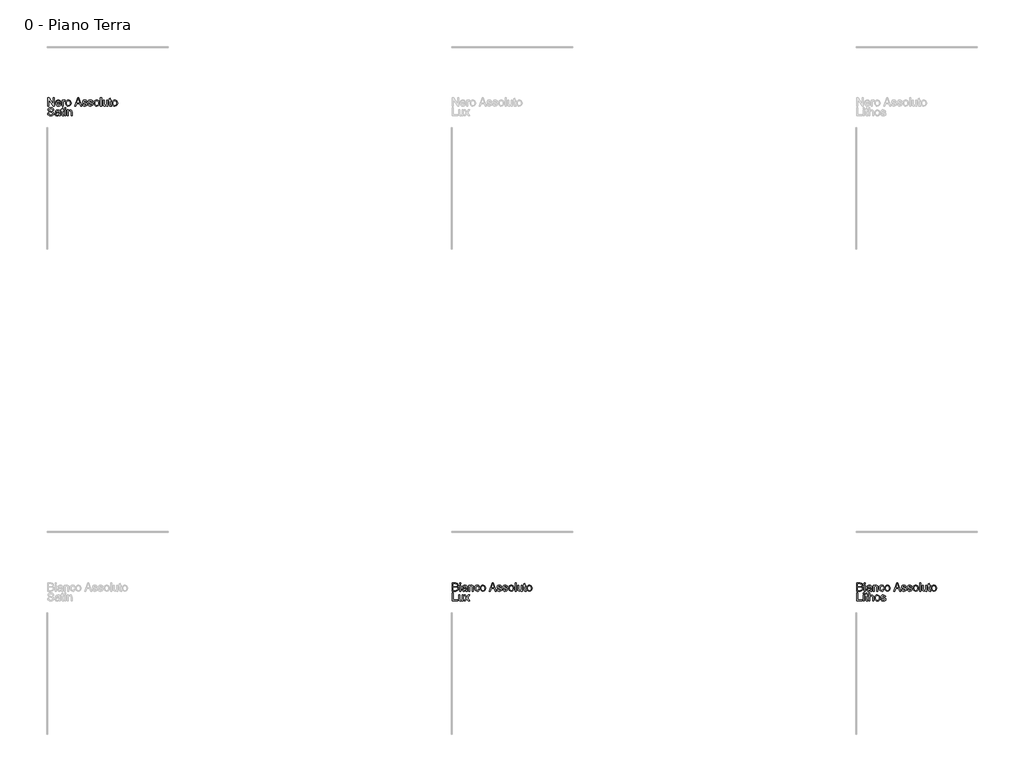
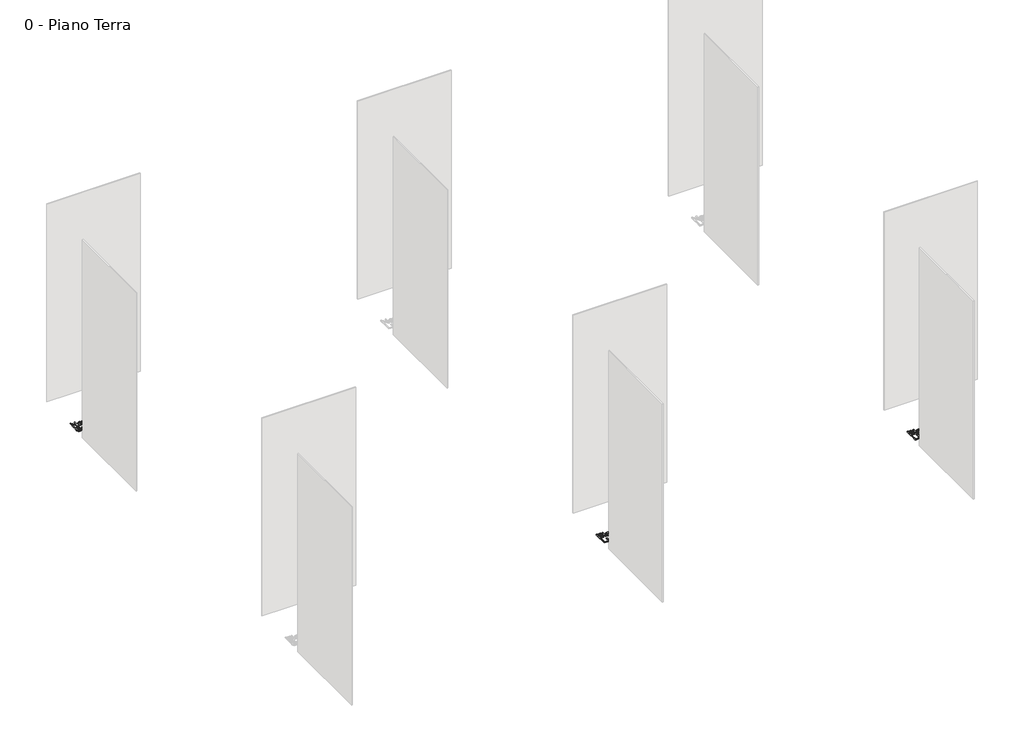
# One storey, part 29 of 35: 3 proxies.
"""IFC4 building model written with IfcOpenShell, lengths in millimetres."""

from ifc_helpers import new_model, si_unit, origin, origin_with_axes, place, context, project, spatial, polyline, outline, extrude, element, save

model = new_model("IFC4")

# Units and contexts
model_context = context("Model", 3, world=origin())
ifc_project = project(units=[si_unit("LENGTHUNIT", "METRE", prefix="MILLI")], contexts=[model_context])

# Site, building, storey
site = spatial("IfcSite", under=ifc_project)
building = spatial("IfcBuilding", under=site)
storey = spatial("IfcBuildingStorey", under=building, Name="0 - Piano Terra", Elevation=0.0)

# Proxies
placement = place(None, origin())
element("IfcBuildingElementProxy", 1, Name="Testo modello 1", ObjectType="Testo modello 1", at=placement, inside=storey, context=model_context, shape_type="SweptSolid", body=[
    extrude(outline(polyline([(2731.7292491, -273.7592352), (2731.7292491, -173.302925), (2745.1692046, -173.302925), (2797.6537026, -252.8880633), (2797.6537026, -173.302925), (2810.2107414, -173.302925), (2810.2107414, -273.7592352), (2796.7707858, -273.7592352), (2744.2862878, -194.1495714), (2744.2862878, -273.7592352), (2731.7292491, -273.7592352)])), origin_with_axes(), (0.0, 0.0, 1.0), 10.0),
    extrude(outline(polyline([(2882.2665615, -251.7844173), (2894.5783456, -253.3540472), (2890.1423019, -262.6308048), (2883.0636392, -269.5653804), (2873.501773, -273.8879938), (2861.6161188, -275.328865), (2846.8824449, -272.8425958), (2835.5455481, -265.3837884), (2828.3166669, -253.4368206), (2825.9070398, -237.4860704), (2828.3411924, -220.9988257), (2835.64365, -208.6686475), (2846.8272626, -200.9799138), (2860.9048803, -198.4170025), (2874.5441053, -200.9737824), (2885.4426094, -208.644122), (2892.5887171, -220.9497747), (2894.9707531, -237.412494), (2894.8971767, -240.7970084), (2838.4640786, -240.7970084), (2840.6376481, -250.1963934), (2845.6868284, -257.1064435), (2852.9739576, -261.3554805), (2861.8613735, -262.7718262), (2874.1731576, -260.1476013), (2882.2665615, -251.7844173)]), holes=[polyline([(2838.4640786, -228.2399696), (2882.4137143, -228.2399696), (2877.3859937, -216.8601532), (2870.065142, -212.4455693), (2860.8558294, -210.9740413), (2845.3925229, -215.6706681), (2840.5272835, -221.1613069), (2838.4640786, -228.2399696)])]), origin_with_axes(), (0.0, 0.0, 1.0), 10.0),
    extrude(outline(polyline([(2907.5277918, -273.7592352), (2907.5277918, -199.9866324), (2918.5152008, -199.9866324), (2918.5152008, -210.9004649), (2926.3142991, -200.8450237), (2934.1624483, -198.4170025), (2946.768538, -202.2920262), (2942.5746832, -213.5492153), (2933.7455154, -210.9740413), (2926.6453929, -213.4511134), (2922.1204443, -220.318244), (2920.0848306, -234.9844729), (2920.0848306, -273.7592352), (2907.5277918, -273.7592352)])), origin_with_axes(), (0.0, 0.0, 1.0), 10.0),
    extrude(outline(polyline([(2951.4774275, -236.8729338), (2954.1936229, -219.0858393), (2962.3422091, -206.5839828), (2972.4099131, -200.4587476), (2984.4641798, -198.4170025), (2997.655815, -200.9032717), (3008.1925685, -208.3620791), (3015.0995529, -220.2048137), (3017.4018811, -235.8428642), (3013.3306537, -258.185564), (3001.4725907, -270.8284419), (2984.4641798, -275.328865), (2971.113129, -272.8517929), (2960.5886383, -265.4205766), (2953.7552302, -253.3295217), (2951.4774275, -236.8729338)]), holes=[polyline([(2964.0344663, -236.8484083), (2965.4876002, -248.2128963), (2969.8470018, -256.3093658), (2976.4075641, -261.1562111), (2984.4641798, -262.7718262), (2992.4840073, -261.1470141), (2999.0323068, -256.2725776), (3003.3917084, -248.0688092), (3004.8448423, -236.4560008), (3003.3825114, -225.4226067), (2998.9955186, -217.4365017), (2992.438022, -212.5896564), (2984.4641798, -210.9740413), (2976.4075641, -212.583525), (2969.8470018, -217.4119762), (2965.4876002, -225.4900517), (2964.0344663, -236.8484083)])]), origin_with_axes(), (0.0, 0.0, 1.0), 10.0),
    extrude(outline(polyline([(3060.6402782, -273.7592352), (3100.7394157, -173.302925), (3111.432519, -173.302925), (3151.5316565, -273.7592352), (3138.2633792, -273.7592352), (3126.7609355, -242.3666382), (3085.3864738, -242.3666382), (3073.9085555, -273.7592352), (3060.6402782, -273.7592352)]), holes=[polyline([(3089.9972614, -229.8095995), (3122.1746733, -229.8095995), (3113.1247762, -205.1124549), (3106.0859674, -185.8599638), (3099.8319734, -202.9542138), (3089.9972614, -229.8095995)])]), origin_with_axes(), (0.0, 0.0, 1.0), 10.0),
    extrude(outline(polyline([(3158.6685672, -251.7844173), (3171.225606, -250.2147875), (3177.0381415, -259.5344647), (3190.3554697, -262.7718262), (3203.1577632, -259.8042448), (3207.3270924, -252.8390124), (3203.1332377, -247.1981551), (3190.2083169, -243.617437), (3171.2991824, -237.4738077), (3163.046363, -230.3001088), (3160.2381971, -220.1710912), (3162.49454, -210.8146258), (3168.650432, -203.6654523), (3176.6334713, -199.9498442), (3187.4369392, -198.4170025), (3202.7163048, -200.8818119), (3212.4283894, -207.5527388), (3216.7448715, -218.8221905), (3204.1878327, -220.3918204), (3199.4666805, -213.4633761), (3188.4179579, -210.9740413), (3176.4004794, -213.3530115), (3172.7952358, -218.8957669), (3174.2912893, -222.5500614), (3178.9756533, -225.3214391), (3189.791384, -227.994715), (3208.222272, -233.9053523), (3216.7816597, -240.6008047), (3219.8841312, -251.5146372), (3216.2420995, -263.5321157), (3205.7329371, -272.250919), (3190.1837915, -275.328865), (3177.5225195, -273.8450743), (3168.28255, -269.3937021), (3162.1143952, -262.0237995), (3158.6685672, -251.7844173)])), origin_with_axes(), (0.0, 0.0, 1.0), 10.0),
    extrude(outline(polyline([(3229.3019103, -251.7844173), (3241.8589491, -250.2147875), (3247.6714846, -259.5344647), (3260.9888128, -262.7718262), (3273.7911062, -259.8042448), (3277.9604355, -252.8390124), (3273.7665808, -247.1981551), (3260.84166, -243.617437), (3241.9325255, -237.4738077), (3233.679706, -230.3001088), (3230.8715401, -220.1710912), (3233.127883, -210.8146258), (3239.2837751, -203.6654523), (3247.2668144, -199.9498442), (3258.0702823, -198.4170025), (3273.3496478, -200.8818119), (3283.0617325, -207.5527388), (3287.3782146, -218.8221905), (3274.8211758, -220.3918204), (3270.1000236, -213.4633761), (3259.051301, -210.9740413), (3247.0338225, -213.3530115), (3243.4285789, -218.8957669), (3244.9246323, -222.5500614), (3249.6089964, -225.3214391), (3260.4247271, -227.994715), (3278.855615, -233.9053523), (3287.4150028, -240.6008047), (3290.5174743, -251.5146372), (3286.8754425, -263.5321157), (3276.3662802, -272.250919), (3260.8171345, -275.328865), (3248.1558625, -273.8450743), (3238.9158931, -269.3937021), (3232.7477383, -262.0237995), (3229.3019103, -251.7844173)])), origin_with_axes(), (0.0, 0.0, 1.0), 10.0),
    extrude(outline(polyline([(3301.5048832, -236.8729338), (3304.2210786, -219.0858393), (3312.3696648, -206.5839828), (3322.4373687, -200.4587476), (3334.4916354, -198.4170025), (3347.6832707, -200.9032717), (3358.2200241, -208.3620791), (3365.1270086, -220.2048137), (3367.4293367, -235.8428642), (3363.3581093, -258.185564), (3351.5000463, -270.8284419), (3334.4916354, -275.328865), (3321.1405847, -272.8517929), (3310.616094, -265.4205766), (3303.7826859, -253.3295217), (3301.5048832, -236.8729338)]), holes=[polyline([(3314.061922, -236.8484083), (3315.5150559, -248.2128963), (3319.8744575, -256.3093658), (3326.4350197, -261.1562111), (3334.4916354, -262.7718262), (3342.5114629, -261.1470141), (3349.0597624, -256.2725776), (3353.4191641, -248.0688092), (3354.872298, -236.4560008), (3353.409967, -225.4226067), (3349.0229742, -217.4365017), (3342.4654777, -212.5896564), (3334.4916354, -210.9740413), (3326.4350197, -212.583525), (3319.8744575, -217.4119762), (3315.5150559, -225.4900517), (3314.061922, -236.8484083)])]), origin_with_axes(), (0.0, 0.0, 1.0), 10.0),
    extrude(outline(polyline([(3381.5560054, -273.7592352), (3381.5560054, -173.302925), (3394.1130441, -173.302925), (3394.1130441, -273.7592352), (3381.5560054, -273.7592352)])), origin_with_axes(), (0.0, 0.0, 1.0), 10.0),
    extrude(outline(polyline([(3460.0374977, -273.7592352), (3460.0374977, -261.0795691), (3450.2027857, -271.766541), (3437.3759668, -275.328865), (3425.5669547, -272.8272674), (3417.4244999, -266.548748), (3413.6843663, -257.3026472), (3412.9486023, -245.6285253), (3412.9486023, -199.9866324), (3425.505641, -199.9866324), (3425.505641, -239.7178879), (3426.2659305, -252.5201813), (3431.2323374, -260.0372367), (3440.5888028, -262.7718262), (3451.0734397, -259.9759231), (3458.001884, -252.3607658), (3460.0374977, -238.3689872), (3460.0374977, -199.9866324), (3472.5945364, -199.9866324), (3472.5945364, -273.7592352), (3460.0374977, -273.7592352)])), origin_with_axes(), (0.0, 0.0, 1.0), 10.0),
    extrude(outline(polyline([(3516.5441721, -263.286861), (3518.113802, -274.1271171), (3508.7205484, -275.328865), (3498.1991233, -273.2442004), (3492.9506735, -267.7750214), (3491.4300946, -253.5257254), (3491.4300946, -212.5436712), (3482.0123155, -212.5436712), (3482.0123155, -199.9866324), (3491.4300946, -199.9866324), (3491.4300946, -182.0585165), (3503.9871334, -174.6763511), (3503.9871334, -199.9866324), (3516.5441721, -199.9866324), (3516.5441721, -212.5436712), (3503.9871334, -212.5436712), (3503.9871334, -253.1578434), (3504.6493209, -259.6325665), (3506.7952992, -261.9256976), (3511.0749931, -262.7718262), (3516.5441721, -263.286861)])), origin_with_axes(), (0.0, 0.0, 1.0), 10.0),
    extrude(outline(polyline([(3525.9619512, -236.8729338), (3528.6781466, -219.0858393), (3536.8267328, -206.5839828), (3546.8944367, -200.4587476), (3558.9487034, -198.4170025), (3572.1403386, -200.9032717), (3582.6770921, -208.3620791), (3589.5840766, -220.2048137), (3591.8864047, -235.8428642), (3587.8151773, -258.185564), (3575.9571143, -270.8284419), (3558.9487034, -275.328865), (3545.5976527, -272.8517929), (3535.0731619, -265.4205766), (3528.2397539, -253.3295217), (3525.9619512, -236.8729338)]), holes=[polyline([(3538.51899, -236.8484083), (3539.9721238, -248.2128963), (3544.3315255, -256.3093658), (3550.8920877, -261.1562111), (3558.9487034, -262.7718262), (3566.9685309, -261.1470141), (3573.5168304, -256.2725776), (3577.8762321, -248.0688092), (3579.329366, -236.4560008), (3577.867035, -225.4226067), (3573.4800422, -217.4365017), (3566.9225457, -212.5896564), (3558.9487034, -210.9740413), (3550.8920877, -212.583525), (3544.3315255, -217.4119762), (3539.9721238, -225.4900517), (3538.51899, -236.8484083)])]), origin_with_axes(), (0.0, 0.0, 1.0), 10.0),
    extrude(outline(polyline([(2727.0203595, -361.2021964), (2739.5773983, -361.2021964), (2743.6241003, -373.7714979), (2753.5078632, -381.717749), (2768.5664995, -384.7466441), (2781.687624, -382.453513), (2790.1611726, -376.1504681), (2792.9448131, -367.7259704), (2790.8601484, -359.8900839), (2782.3252861, -354.187913), (2764.041551, -349.3931843), (2744.3598642, -343.2005041), (2733.6790237, -333.8563014), (2730.1596192, -321.372839), (2734.5128895, -307.1603313), (2747.2293438, -297.1294156), (2765.8441728, -293.708113), (2785.7098005, -297.2888311), (2798.9535523, -307.8102561), (2803.932222, -323.5310801), (2791.3751832, -323.5310801), (2789.0697894, -316.0385501), (2784.262798, -310.6306848), (2766.3346821, -306.2651518), (2748.3575153, -310.5816338), (2742.716658, -321.004957), (2746.714309, -329.7114976), (2767.2175989, -336.725781), (2789.4376714, -343.0288258), (2801.59004, -353.2068944), (2805.5018518, -367.4071394), (2801.0014288, -382.4289875), (2788.0519825, -393.391871), (2769.0570089, -397.3036828), (2746.6284699, -393.0853026), (2732.4404876, -380.3811111), (2727.0203595, -361.2021964)])), origin_with_axes(), (0.0, 0.0, 1.0), 10.0),
    extrude(outline(polyline([(2869.8566755, -386.3162739), (2857.6797815, -394.8266107), (2844.2275632, -397.3036828), (2833.7337293, -395.8137608), (2825.992879, -391.3439945), (2821.2196101, -384.5565717), (2819.6285205, -376.1136799), (2822.0320162, -366.1808661), (2828.3473237, -358.9703789), (2837.1397034, -354.8501006), (2848.004485, -352.9616397), (2869.7830991, -348.6451576), (2869.8566755, -345.8492545), (2866.3985848, -336.5786282), (2852.5171708, -332.9488592), (2839.8129793, -335.3646176), (2833.7551891, -343.9362681), (2821.1981503, -342.3666382), (2826.6305411, -330.1039051), (2837.5688991, -322.9179434), (2854.1358516, -320.3918204), (2869.3539035, -322.6236378), (2877.9500794, -328.2277069), (2881.8005776, -336.7503064), (2882.4137143, -347.7377154), (2882.4137143, -363.3604374), (2883.0513764, -385.1758397), (2885.552974, -395.734053), (2872.9959352, -395.734053), (2869.8566755, -386.3162739)]), holes=[polyline([(2869.8566755, -361.2021964), (2849.5986403, -365.0526946), (2838.7951724, -367.0883083), (2833.9023419, -370.3992463), (2832.1855592, -375.2307631), (2835.9256928, -382.0243173), (2846.900839, -384.7466441), (2859.6050306, -381.7422744), (2867.7965364, -374.4704737), (2869.7830991, -364.758389), (2869.8566755, -361.2021964)])]), origin_with_axes(), (0.0, 0.0, 1.0), 10.0),
    extrude(outline(polyline([(2926.36335, -385.2616789), (2927.9329798, -396.101935), (2918.5397262, -397.3036828), (2908.0183012, -395.2190182), (2902.7698514, -389.7498392), (2901.2492725, -375.5005433), (2901.2492725, -334.518489), (2891.8314934, -334.518489), (2891.8314934, -321.9614502), (2901.2492725, -321.9614502), (2901.2492725, -304.0333343), (2913.8063112, -296.651169), (2913.8063112, -321.9614502), (2926.36335, -321.9614502), (2926.36335, -334.518489), (2913.8063112, -334.518489), (2913.8063112, -375.1326613), (2914.4684988, -381.6073844), (2916.6144771, -383.9005155), (2920.894171, -384.7466441), (2926.36335, -385.2616789)])), origin_with_axes(), (0.0, 0.0, 1.0), 10.0),
    extrude(outline(polyline([(2938.9203888, -307.8347816), (2938.9203888, -295.2777428), (2951.4774275, -295.2777428), (2951.4774275, -307.8347816), (2938.9203888, -307.8347816)])), origin_with_axes(), (0.0, 0.0, 1.0), 10.0),
    extrude(outline(polyline([(2938.9203888, -395.734053), (2938.9203888, -321.9614502), (2951.4774275, -321.9614502), (2951.4774275, -395.734053), (2938.9203888, -395.734053)])), origin_with_axes(), (0.0, 0.0, 1.0), 10.0),
    extrude(outline(polyline([(2970.3129857, -395.734053), (2970.3129857, -321.9614502), (2982.8700244, -321.9614502), (2982.8700244, -332.2621461), (2992.4717445, -323.3594018), (3005.5806063, -320.3918204), (3017.4386693, -322.7830534), (3025.5320732, -329.0615727), (3029.2967322, -338.2954108), (3029.9589198, -350.4355167), (3029.9589198, -395.734053), (3017.4018811, -395.734053), (3017.4018811, -352.1277738), (3015.9548785, -341.0177376), (3010.8413188, -335.1438884), (3002.2206174, -332.9488592), (2988.5967208, -337.8784779), (2984.3016985, -345.02152), (2982.8700244, -356.5914087), (2982.8700244, -395.734053), (2970.3129857, -395.734053)])), origin_with_axes(), (0.0, 0.0, 1.0), 10.0),
])
element("IfcBuildingElementProxy", 2, Name="Testo modello 1", ObjectType="Testo modello 1", at=placement, inside=storey, context=model_context, shape_type="SweptSolid", body=[
    extrude(outline(polyline([(7731.7292491, -6273.7592352), (7731.7292491, -6173.302925), (7770.062553, -6173.302925), (7788.8367975, -6176.2582437), (7799.9223082, -6185.344929), (7803.932222, -6198.1962733), (7800.5599704, -6209.931709), (7790.3696391, -6218.8221905), (7802.7427369, -6228.1909187), (7807.0714817, -6243.8136407), (7804.116163, -6257.31491), (7796.7953113, -6266.9288928), (7785.869216, -6272.0301898), (7769.7682474, -6273.7592352), (7731.7292491, -6273.7592352)]), holes=[polyline([(7744.2862878, -6214.113301), (7767.2175989, -6214.113301), (7780.6085035, -6213.0341805), (7788.6651192, -6208.3866046), (7791.3751832, -6200.2073616), (7788.8490602, -6192.0158558), (7781.6140476, -6187.1720762), (7765.4762908, -6185.8599638), (7744.2862878, -6185.8599638), (7744.2862878, -6214.113301)]), polyline([(7744.2862878, -6261.2021964), (7770.0380275, -6261.2021964), (7779.3577047, -6260.7116871), (7787.2426421, -6257.9770976), (7792.4665665, -6252.397554), (7794.5144429, -6243.9362681), (7792.1109472, -6234.1751325), (7784.3241117, -6228.3503342), (7768.8117542, -6226.6703398), (7744.2862878, -6226.6703398), (7744.2862878, -6261.2021964)])]), origin_with_axes(), (0.0, 0.0, 1.0), 10.0),
    extrude(outline(polyline([(7822.7677801, -6185.8599638), (7822.7677801, -6173.302925), (7835.3248189, -6173.302925), (7835.3248189, -6185.8599638), (7822.7677801, -6185.8599638)])), origin_with_axes(), (0.0, 0.0, 1.0), 10.0),
    extrude(outline(polyline([(7822.7677801, -6273.7592352), (7822.7677801, -6199.9866324), (7835.3248189, -6199.9866324), (7835.3248189, -6273.7592352), (7822.7677801, -6273.7592352)])), origin_with_axes(), (0.0, 0.0, 1.0), 10.0),
    extrude(outline(polyline([(7901.2492725, -6264.3414561), (7889.0723784, -6272.8517929), (7875.6201601, -6275.328865), (7865.1263262, -6273.8389429), (7857.3854759, -6269.3691767), (7852.612207, -6262.5817539), (7851.0211174, -6254.1388621), (7853.4246131, -6244.2060482), (7859.7399207, -6236.9955611), (7868.5323003, -6232.8752828), (7879.3970819, -6230.9868218), (7901.1756961, -6226.6703398), (7901.2492725, -6223.8744366), (7897.7911817, -6214.6038103), (7883.9097677, -6210.9740413), (7871.2055762, -6213.3897997), (7865.147786, -6221.9614502), (7852.5907472, -6220.3918204), (7858.023138, -6208.1290872), (7868.961496, -6200.9431256), (7885.5284485, -6198.4170025), (7900.7465004, -6200.64882), (7909.3426763, -6206.252889), (7913.1931746, -6214.7754886), (7913.8063112, -6225.7628975), (7913.8063112, -6241.3856196), (7914.4439733, -6263.2010219), (7916.9455709, -6273.7592352), (7904.3885321, -6273.7592352), (7901.2492725, -6264.3414561)]), holes=[polyline([(7901.2492725, -6239.2273785), (7880.9912373, -6243.0778768), (7870.1877693, -6245.1134905), (7865.2949388, -6248.4244284), (7863.5781561, -6253.2559453), (7867.3182898, -6260.0494995), (7878.293436, -6262.7718262), (7890.9976275, -6259.7674566), (7899.1891333, -6252.4956558), (7901.1756961, -6242.7835712), (7901.2492725, -6239.2273785)])]), origin_with_axes(), (0.0, 0.0, 1.0), 10.0),
    extrude(outline(polyline([(7931.0722395, -6273.7592352), (7931.0722395, -6199.9866324), (7943.6292783, -6199.9866324), (7943.6292783, -6210.2873283), (7953.2309984, -6201.384584), (7966.3398601, -6198.4170025), (7978.1979231, -6200.8082355), (7986.291327, -6207.0867549), (7990.0559861, -6216.320593), (7990.7181737, -6228.4606988), (7990.7181737, -6273.7592352), (7978.1611349, -6273.7592352), (7978.1611349, -6230.152956), (7976.7141324, -6219.0429197), (7971.6005727, -6213.1690705), (7962.9798712, -6210.9740413), (7949.3559747, -6215.90366), (7945.0609524, -6223.0467021), (7943.6292783, -6234.6165909), (7943.6292783, -6273.7592352), (7931.0722395, -6273.7592352)])), origin_with_axes(), (0.0, 0.0, 1.0), 10.0),
    extrude(outline(polyline([(8055.0729974, -6247.0755278), (8067.6300361, -6248.6451576), (8064.1290258, -6259.8134419), (8057.5500695, -6268.253268), (8048.5124351, -6273.5599657), (8037.6353908, -6275.328865), (8024.2782087, -6272.8609899), (8013.8334257, -6265.4573648), (8007.0919881, -6253.442952), (8004.8448423, -6237.1427139), (8008.6830778, -6216.2838048), (8020.3817252, -6202.8806374), (8037.4637125, -6198.4170025), (8048.0740424, -6199.9498442), (8056.5567881, -6204.5483691), (8062.6421694, -6211.9673227), (8066.0604063, -6221.9614502), (8053.5033675, -6223.5310801), (8047.6785693, -6214.1255637), (8037.5618144, -6210.9740413), (8029.4469507, -6212.5252771), (8023.0059501, -6217.1789843), (8018.8028983, -6225.1865491), (8017.4018811, -6236.7993574), (8018.7722415, -6248.5685155), (8022.8833228, -6256.6036714), (8029.2078274, -6261.2297875), (8037.2184579, -6262.7718262), (8049.0519954, -6258.921328), (8055.0729974, -6247.0755278)])), origin_with_axes(), (0.0, 0.0, 1.0), 10.0),
    extrude(outline(polyline([(8075.4781854, -6236.8729338), (8078.1943808, -6219.0858393), (8086.342967, -6206.5839828), (8096.4106709, -6200.4587476), (8108.4649376, -6198.4170025), (8121.6565728, -6200.9032717), (8132.1933263, -6208.3620791), (8139.1003108, -6220.2048137), (8141.4026389, -6235.8428642), (8137.3314115, -6258.185564), (8125.4733485, -6270.8284419), (8108.4649376, -6275.328865), (8095.1138869, -6272.8517929), (8084.5893961, -6265.4205766), (8077.7559881, -6253.3295217), (8075.4781854, -6236.8729338)]), holes=[polyline([(8088.0352241, -6236.8484083), (8089.488358, -6248.2128963), (8093.8477597, -6256.3093658), (8100.4083219, -6261.1562111), (8108.4649376, -6262.7718262), (8116.4847651, -6261.1470141), (8123.0330646, -6256.2725776), (8127.3924663, -6248.0688092), (8128.8456001, -6236.4560008), (8127.3832692, -6225.4226067), (8122.9962764, -6217.4365017), (8116.4387798, -6212.5896564), (8108.4649376, -6210.9740413), (8100.4083219, -6212.583525), (8093.8477597, -6217.4119762), (8089.488358, -6225.4900517), (8088.0352241, -6236.8484083)])]), origin_with_axes(), (0.0, 0.0, 1.0), 10.0),
    extrude(outline(polyline([(8184.6410361, -6273.7592352), (8224.7401735, -6173.302925), (8235.4332769, -6173.302925), (8275.5324143, -6273.7592352), (8262.2641371, -6273.7592352), (8250.7616933, -6242.3666382), (8209.3872316, -6242.3666382), (8197.9093134, -6273.7592352), (8184.6410361, -6273.7592352)]), holes=[polyline([(8213.9980193, -6229.8095995), (8246.1754311, -6229.8095995), (8237.125534, -6205.1124549), (8230.0867252, -6185.8599638), (8223.8327313, -6202.9542138), (8213.9980193, -6229.8095995)])]), origin_with_axes(), (0.0, 0.0, 1.0), 10.0),
    extrude(outline(polyline([(8282.6693251, -6251.7844173), (8295.2263638, -6250.2147875), (8301.0388993, -6259.5344647), (8314.3562276, -6262.7718262), (8327.158521, -6259.8042448), (8331.3278503, -6252.8390124), (8327.1339955, -6247.1981551), (8314.2090748, -6243.617437), (8295.2999402, -6237.4738077), (8287.0471208, -6230.3001088), (8284.2389549, -6220.1710912), (8286.4952978, -6210.8146258), (8292.6511899, -6203.6654523), (8300.6342292, -6199.9498442), (8311.4376971, -6198.4170025), (8326.7170626, -6200.8818119), (8336.4291473, -6207.5527388), (8340.7456294, -6218.8221905), (8328.1885906, -6220.3918204), (8323.4674383, -6213.4633761), (8312.4187157, -6210.9740413), (8300.4012372, -6213.3530115), (8296.7959937, -6218.8957669), (8298.2920471, -6222.5500614), (8302.9764112, -6225.3214391), (8313.7921418, -6227.994715), (8332.2230298, -6233.9053523), (8340.7824176, -6240.6008047), (8343.884889, -6251.5146372), (8340.2428573, -6263.5321157), (8329.733695, -6272.250919), (8314.1845493, -6275.328865), (8301.5232773, -6273.8450743), (8292.2833079, -6269.3937021), (8286.1151531, -6262.0237995), (8282.6693251, -6251.7844173)])), origin_with_axes(), (0.0, 0.0, 1.0), 10.0),
    extrude(outline(polyline([(8353.3026681, -6251.7844173), (8365.8597069, -6250.2147875), (8371.6722424, -6259.5344647), (8384.9895706, -6262.7718262), (8397.7918641, -6259.8042448), (8401.9611934, -6252.8390124), (8397.7673386, -6247.1981551), (8384.8424178, -6243.617437), (8365.9332833, -6237.4738077), (8357.6804639, -6230.3001088), (8354.872298, -6220.1710912), (8357.1286409, -6210.8146258), (8363.2845329, -6203.6654523), (8371.2675722, -6199.9498442), (8382.0710401, -6198.4170025), (8397.3504057, -6200.8818119), (8407.0624904, -6207.5527388), (8411.3789724, -6218.8221905), (8398.8219337, -6220.3918204), (8394.1007814, -6213.4633761), (8383.0520588, -6210.9740413), (8371.0345803, -6213.3530115), (8367.4293367, -6218.8957669), (8368.9253902, -6222.5500614), (8373.6097543, -6225.3214391), (8384.4254849, -6227.994715), (8402.8563729, -6233.9053523), (8411.4157606, -6240.6008047), (8414.5182321, -6251.5146372), (8410.8762004, -6263.5321157), (8400.367038, -6272.250919), (8384.8178924, -6275.328865), (8372.1566204, -6273.8450743), (8362.9166509, -6269.3937021), (8356.7484961, -6262.0237995), (8353.3026681, -6251.7844173)])), origin_with_axes(), (0.0, 0.0, 1.0), 10.0),
    extrude(outline(polyline([(8425.505641, -6236.8729338), (8428.2218364, -6219.0858393), (8436.3704226, -6206.5839828), (8446.4381266, -6200.4587476), (8458.4923933, -6198.4170025), (8471.6840285, -6200.9032717), (8482.220782, -6208.3620791), (8489.1277664, -6220.2048137), (8491.4300946, -6235.8428642), (8487.3588672, -6258.185564), (8475.5008042, -6270.8284419), (8458.4923933, -6275.328865), (8445.1413425, -6272.8517929), (8434.6168518, -6265.4205766), (8427.7834437, -6253.3295217), (8425.505641, -6236.8729338)]), holes=[polyline([(8438.0626798, -6236.8484083), (8439.5158137, -6248.2128963), (8443.8752153, -6256.3093658), (8450.4357776, -6261.1562111), (8458.4923933, -6262.7718262), (8466.5122208, -6261.1470141), (8473.0605203, -6256.2725776), (8477.4199219, -6248.0688092), (8478.8730558, -6236.4560008), (8477.4107249, -6225.4226067), (8473.0237321, -6217.4365017), (8466.4662355, -6212.5896564), (8458.4923933, -6210.9740413), (8450.4357776, -6212.583525), (8443.8752153, -6217.4119762), (8439.5158137, -6225.4900517), (8438.0626798, -6236.8484083)])]), origin_with_axes(), (0.0, 0.0, 1.0), 10.0),
    extrude(outline(polyline([(8505.5567632, -6273.7592352), (8505.5567632, -6173.302925), (8518.113802, -6173.302925), (8518.113802, -6273.7592352), (8505.5567632, -6273.7592352)])), origin_with_axes(), (0.0, 0.0, 1.0), 10.0),
    extrude(outline(polyline([(8584.0382555, -6273.7592352), (8584.0382555, -6261.0795691), (8574.2035435, -6271.766541), (8561.3767246, -6275.328865), (8549.5677126, -6272.8272674), (8541.4252577, -6266.548748), (8537.6851241, -6257.3026472), (8536.9493601, -6245.6285253), (8536.9493601, -6199.9866324), (8549.5063989, -6199.9866324), (8549.5063989, -6239.7178879), (8550.2666883, -6252.5201813), (8555.2330953, -6260.0372367), (8564.5895607, -6262.7718262), (8575.0741976, -6259.9759231), (8582.0026418, -6252.3607658), (8584.0382555, -6238.3689872), (8584.0382555, -6199.9866324), (8596.5952943, -6199.9866324), (8596.5952943, -6273.7592352), (8584.0382555, -6273.7592352)])), origin_with_axes(), (0.0, 0.0, 1.0), 10.0),
    extrude(outline(polyline([(8640.54493, -6263.286861), (8642.1145598, -6274.1271171), (8632.7213062, -6275.328865), (8622.1998811, -6273.2442004), (8616.9514313, -6267.7750214), (8615.4308524, -6253.5257254), (8615.4308524, -6212.5436712), (8606.0130733, -6212.5436712), (8606.0130733, -6199.9866324), (8615.4308524, -6199.9866324), (8615.4308524, -6182.0585165), (8627.9878912, -6174.6763511), (8627.9878912, -6199.9866324), (8640.54493, -6199.9866324), (8640.54493, -6212.5436712), (8627.9878912, -6212.5436712), (8627.9878912, -6253.1578434), (8628.6500788, -6259.6325665), (8630.7960571, -6261.9256976), (8635.075751, -6262.7718262), (8640.54493, -6263.286861)])), origin_with_axes(), (0.0, 0.0, 1.0), 10.0),
    extrude(outline(polyline([(8649.962709, -6236.8729338), (8652.6789044, -6219.0858393), (8660.8274906, -6206.5839828), (8670.8951946, -6200.4587476), (8682.9494613, -6198.4170025), (8696.1410965, -6200.9032717), (8706.67785, -6208.3620791), (8713.5848344, -6220.2048137), (8715.8871626, -6235.8428642), (8711.8159352, -6258.185564), (8699.9578722, -6270.8284419), (8682.9494613, -6275.328865), (8669.5984105, -6272.8517929), (8659.0739198, -6265.4205766), (8652.2405117, -6253.3295217), (8649.962709, -6236.8729338)]), holes=[polyline([(8662.5197478, -6236.8484083), (8663.9728817, -6248.2128963), (8668.3322833, -6256.3093658), (8674.8928456, -6261.1562111), (8682.9494613, -6262.7718262), (8690.9692888, -6261.1470141), (8697.5175883, -6256.2725776), (8701.8769899, -6248.0688092), (8703.3301238, -6236.4560008), (8701.8677929, -6225.4226067), (8697.4808001, -6217.4365017), (8690.9233035, -6212.5896564), (8682.9494613, -6210.9740413), (8674.8928456, -6212.583525), (8668.3322833, -6217.4119762), (8663.9728817, -6225.4900517), (8662.5197478, -6236.8484083)])]), origin_with_axes(), (0.0, 0.0, 1.0), 10.0),
    extrude(outline(polyline([(7731.7292491, -6395.734053), (7731.7292491, -6295.2777428), (7744.2862878, -6295.2777428), (7744.2862878, -6383.1770142), (7794.5144429, -6383.1770142), (7794.5144429, -6395.734053), (7731.7292491, -6395.734053)])), origin_with_axes(), (0.0, 0.0, 1.0), 10.0),
    extrude(outline(polyline([(7854.1603771, -6395.734053), (7854.1603771, -6383.0543869), (7844.3256651, -6393.7413589), (7831.4988462, -6397.3036828), (7819.6898341, -6394.8020853), (7811.5473793, -6388.5235659), (7807.8072457, -6379.2774651), (7807.0714817, -6367.6033431), (7807.0714817, -6321.9614502), (7819.6285205, -6321.9614502), (7819.6285205, -6361.6927057), (7820.3888099, -6374.4949991), (7825.3552168, -6382.0120546), (7834.7116823, -6384.7466441), (7845.1963191, -6381.9507409), (7852.1247634, -6374.3355836), (7854.1603771, -6360.3438051), (7854.1603771, -6321.9614502), (7866.7174158, -6321.9614502), (7866.7174158, -6395.734053), (7854.1603771, -6395.734053)])), origin_with_axes(), (0.0, 0.0, 1.0), 10.0),
    extrude(outline(polyline([(7876.1351949, -6395.734053), (7902.9660551, -6358.6515479), (7877.7048248, -6321.9614502), (7892.812512, -6321.9614502), (7905.0016688, -6339.619786), (7910.691577, -6347.9584446), (7915.6211957, -6341.1403649), (7929.5026097, -6321.9614502), (7944.610297, -6321.9614502), (7918.0737424, -6358.6515479), (7943.6292783, -6395.734053), (7928.521591, -6395.734053), (7913.1441236, -6373.4404041), (7910.323695, -6369.3691767), (7891.2428822, -6395.734053), (7876.1351949, -6395.734053)])), origin_with_axes(), (0.0, 0.0, 1.0), 10.0),
])
element("IfcBuildingElementProxy", 3, Name="Testo modello 1", ObjectType="Testo modello 1", at=placement, inside=storey, context=model_context, shape_type="SweptSolid", body=[
    extrude(outline(polyline([(12731.7292491, -6273.7592352), (12731.7292491, -6173.302925), (12770.062553, -6173.302925), (12788.8367975, -6176.2582437), (12799.9223082, -6185.344929), (12803.932222, -6198.1962733), (12800.5599704, -6209.931709), (12790.3696391, -6218.8221905), (12802.7427369, -6228.1909187), (12807.0714817, -6243.8136407), (12804.116163, -6257.31491), (12796.7953113, -6266.9288928), (12785.869216, -6272.0301898), (12769.7682474, -6273.7592352), (12731.7292491, -6273.7592352)]), holes=[polyline([(12744.2862878, -6214.113301), (12767.2175989, -6214.113301), (12780.6085035, -6213.0341805), (12788.6651192, -6208.3866046), (12791.3751832, -6200.2073616), (12788.8490602, -6192.0158558), (12781.6140476, -6187.1720762), (12765.4762908, -6185.8599638), (12744.2862878, -6185.8599638), (12744.2862878, -6214.113301)]), polyline([(12744.2862878, -6261.2021964), (12770.0380275, -6261.2021964), (12779.3577047, -6260.7116871), (12787.2426421, -6257.9770976), (12792.4665665, -6252.397554), (12794.5144429, -6243.9362681), (12792.1109472, -6234.1751325), (12784.3241117, -6228.3503342), (12768.8117542, -6226.6703398), (12744.2862878, -6226.6703398), (12744.2862878, -6261.2021964)])]), origin_with_axes(), (0.0, 0.0, 1.0), 10.0),
    extrude(outline(polyline([(12822.7677801, -6185.8599638), (12822.7677801, -6173.302925), (12835.3248189, -6173.302925), (12835.3248189, -6185.8599638), (12822.7677801, -6185.8599638)])), origin_with_axes(), (0.0, 0.0, 1.0), 10.0),
    extrude(outline(polyline([(12822.7677801, -6273.7592352), (12822.7677801, -6199.9866324), (12835.3248189, -6199.9866324), (12835.3248189, -6273.7592352), (12822.7677801, -6273.7592352)])), origin_with_axes(), (0.0, 0.0, 1.0), 10.0),
    extrude(outline(polyline([(12901.2492725, -6264.3414561), (12889.0723784, -6272.8517929), (12875.6201601, -6275.328865), (12865.1263262, -6273.8389429), (12857.3854759, -6269.3691767), (12852.612207, -6262.5817539), (12851.0211174, -6254.1388621), (12853.4246131, -6244.2060482), (12859.7399207, -6236.9955611), (12868.5323003, -6232.8752828), (12879.3970819, -6230.9868218), (12901.1756961, -6226.6703398), (12901.2492725, -6223.8744366), (12897.7911817, -6214.6038103), (12883.9097677, -6210.9740413), (12871.2055762, -6213.3897997), (12865.147786, -6221.9614502), (12852.5907472, -6220.3918204), (12858.023138, -6208.1290872), (12868.961496, -6200.9431256), (12885.5284485, -6198.4170025), (12900.7465004, -6200.64882), (12909.3426763, -6206.252889), (12913.1931746, -6214.7754886), (12913.8063112, -6225.7628975), (12913.8063112, -6241.3856196), (12914.4439733, -6263.2010219), (12916.9455709, -6273.7592352), (12904.3885321, -6273.7592352), (12901.2492725, -6264.3414561)]), holes=[polyline([(12901.2492725, -6239.2273785), (12880.9912373, -6243.0778768), (12870.1877693, -6245.1134905), (12865.2949388, -6248.4244284), (12863.5781561, -6253.2559453), (12867.3182898, -6260.0494995), (12878.293436, -6262.7718262), (12890.9976275, -6259.7674566), (12899.1891333, -6252.4956558), (12901.1756961, -6242.7835712), (12901.2492725, -6239.2273785)])]), origin_with_axes(), (0.0, 0.0, 1.0), 10.0),
    extrude(outline(polyline([(12931.0722395, -6273.7592352), (12931.0722395, -6199.9866324), (12943.6292783, -6199.9866324), (12943.6292783, -6210.2873283), (12953.2309984, -6201.384584), (12966.3398601, -6198.4170025), (12978.1979231, -6200.8082355), (12986.291327, -6207.0867549), (12990.0559861, -6216.320593), (12990.7181737, -6228.4606988), (12990.7181737, -6273.7592352), (12978.1611349, -6273.7592352), (12978.1611349, -6230.152956), (12976.7141324, -6219.0429197), (12971.6005727, -6213.1690705), (12962.9798712, -6210.9740413), (12949.3559747, -6215.90366), (12945.0609524, -6223.0467021), (12943.6292783, -6234.6165909), (12943.6292783, -6273.7592352), (12931.0722395, -6273.7592352)])), origin_with_axes(), (0.0, 0.0, 1.0), 10.0),
    extrude(outline(polyline([(13055.0729974, -6247.0755278), (13067.6300361, -6248.6451576), (13064.1290258, -6259.8134419), (13057.5500695, -6268.253268), (13048.5124351, -6273.5599657), (13037.6353908, -6275.328865), (13024.2782087, -6272.8609899), (13013.8334257, -6265.4573648), (13007.0919881, -6253.442952), (13004.8448423, -6237.1427139), (13008.6830778, -6216.2838048), (13020.3817252, -6202.8806374), (13037.4637125, -6198.4170025), (13048.0740424, -6199.9498442), (13056.5567881, -6204.5483691), (13062.6421694, -6211.9673227), (13066.0604063, -6221.9614502), (13053.5033675, -6223.5310801), (13047.6785693, -6214.1255637), (13037.5618144, -6210.9740413), (13029.4469507, -6212.5252771), (13023.0059501, -6217.1789843), (13018.8028983, -6225.1865491), (13017.4018811, -6236.7993574), (13018.7722415, -6248.5685155), (13022.8833228, -6256.6036714), (13029.2078274, -6261.2297875), (13037.2184579, -6262.7718262), (13049.0519954, -6258.921328), (13055.0729974, -6247.0755278)])), origin_with_axes(), (0.0, 0.0, 1.0), 10.0),
    extrude(outline(polyline([(13075.4781854, -6236.8729338), (13078.1943808, -6219.0858393), (13086.342967, -6206.5839828), (13096.4106709, -6200.4587476), (13108.4649376, -6198.4170025), (13121.6565728, -6200.9032717), (13132.1933263, -6208.3620791), (13139.1003108, -6220.2048137), (13141.4026389, -6235.8428642), (13137.3314115, -6258.185564), (13125.4733485, -6270.8284419), (13108.4649376, -6275.328865), (13095.1138869, -6272.8517929), (13084.5893961, -6265.4205766), (13077.7559881, -6253.3295217), (13075.4781854, -6236.8729338)]), holes=[polyline([(13088.0352241, -6236.8484083), (13089.488358, -6248.2128963), (13093.8477597, -6256.3093658), (13100.4083219, -6261.1562111), (13108.4649376, -6262.7718262), (13116.4847651, -6261.1470141), (13123.0330646, -6256.2725776), (13127.3924663, -6248.0688092), (13128.8456001, -6236.4560008), (13127.3832692, -6225.4226067), (13122.9962764, -6217.4365017), (13116.4387798, -6212.5896564), (13108.4649376, -6210.9740413), (13100.4083219, -6212.583525), (13093.8477597, -6217.4119762), (13089.488358, -6225.4900517), (13088.0352241, -6236.8484083)])]), origin_with_axes(), (0.0, 0.0, 1.0), 10.0),
    extrude(outline(polyline([(13184.6410361, -6273.7592352), (13224.7401735, -6173.302925), (13235.4332769, -6173.302925), (13275.5324143, -6273.7592352), (13262.2641371, -6273.7592352), (13250.7616933, -6242.3666382), (13209.3872316, -6242.3666382), (13197.9093134, -6273.7592352), (13184.6410361, -6273.7592352)]), holes=[polyline([(13213.9980193, -6229.8095995), (13246.1754311, -6229.8095995), (13237.125534, -6205.1124549), (13230.0867252, -6185.8599638), (13223.8327313, -6202.9542138), (13213.9980193, -6229.8095995)])]), origin_with_axes(), (0.0, 0.0, 1.0), 10.0),
    extrude(outline(polyline([(13282.6693251, -6251.7844173), (13295.2263638, -6250.2147875), (13301.0388993, -6259.5344647), (13314.3562276, -6262.7718262), (13327.158521, -6259.8042448), (13331.3278503, -6252.8390124), (13327.1339955, -6247.1981551), (13314.2090748, -6243.617437), (13295.2999402, -6237.4738077), (13287.0471208, -6230.3001088), (13284.2389549, -6220.1710912), (13286.4952978, -6210.8146258), (13292.6511899, -6203.6654523), (13300.6342292, -6199.9498442), (13311.4376971, -6198.4170025), (13326.7170626, -6200.8818119), (13336.4291473, -6207.5527388), (13340.7456294, -6218.8221905), (13328.1885906, -6220.3918204), (13323.4674383, -6213.4633761), (13312.4187157, -6210.9740413), (13300.4012372, -6213.3530115), (13296.7959937, -6218.8957669), (13298.2920471, -6222.5500614), (13302.9764112, -6225.3214391), (13313.7921418, -6227.994715), (13332.2230298, -6233.9053523), (13340.7824176, -6240.6008047), (13343.884889, -6251.5146372), (13340.2428573, -6263.5321157), (13329.733695, -6272.250919), (13314.1845493, -6275.328865), (13301.5232773, -6273.8450743), (13292.2833079, -6269.3937021), (13286.1151531, -6262.0237995), (13282.6693251, -6251.7844173)])), origin_with_axes(), (0.0, 0.0, 1.0), 10.0),
    extrude(outline(polyline([(13353.3026681, -6251.7844173), (13365.8597069, -6250.2147875), (13371.6722424, -6259.5344647), (13384.9895706, -6262.7718262), (13397.7918641, -6259.8042448), (13401.9611934, -6252.8390124), (13397.7673386, -6247.1981551), (13384.8424178, -6243.617437), (13365.9332833, -6237.4738077), (13357.6804639, -6230.3001088), (13354.872298, -6220.1710912), (13357.1286409, -6210.8146258), (13363.2845329, -6203.6654523), (13371.2675722, -6199.9498442), (13382.0710401, -6198.4170025), (13397.3504057, -6200.8818119), (13407.0624904, -6207.5527388), (13411.3789724, -6218.8221905), (13398.8219337, -6220.3918204), (13394.1007814, -6213.4633761), (13383.0520588, -6210.9740413), (13371.0345803, -6213.3530115), (13367.4293367, -6218.8957669), (13368.9253902, -6222.5500614), (13373.6097543, -6225.3214391), (13384.4254849, -6227.994715), (13402.8563729, -6233.9053523), (13411.4157606, -6240.6008047), (13414.5182321, -6251.5146372), (13410.8762004, -6263.5321157), (13400.367038, -6272.250919), (13384.8178924, -6275.328865), (13372.1566204, -6273.8450743), (13362.9166509, -6269.3937021), (13356.7484961, -6262.0237995), (13353.3026681, -6251.7844173)])), origin_with_axes(), (0.0, 0.0, 1.0), 10.0),
    extrude(outline(polyline([(13425.505641, -6236.8729338), (13428.2218364, -6219.0858393), (13436.3704226, -6206.5839828), (13446.4381266, -6200.4587476), (13458.4923933, -6198.4170025), (13471.6840285, -6200.9032717), (13482.220782, -6208.3620791), (13489.1277664, -6220.2048137), (13491.4300946, -6235.8428642), (13487.3588672, -6258.185564), (13475.5008042, -6270.8284419), (13458.4923933, -6275.328865), (13445.1413425, -6272.8517929), (13434.6168518, -6265.4205766), (13427.7834437, -6253.3295217), (13425.505641, -6236.8729338)]), holes=[polyline([(13438.0626798, -6236.8484083), (13439.5158137, -6248.2128963), (13443.8752153, -6256.3093658), (13450.4357776, -6261.1562111), (13458.4923933, -6262.7718262), (13466.5122208, -6261.1470141), (13473.0605203, -6256.2725776), (13477.4199219, -6248.0688092), (13478.8730558, -6236.4560008), (13477.4107249, -6225.4226067), (13473.0237321, -6217.4365017), (13466.4662355, -6212.5896564), (13458.4923933, -6210.9740413), (13450.4357776, -6212.583525), (13443.8752153, -6217.4119762), (13439.5158137, -6225.4900517), (13438.0626798, -6236.8484083)])]), origin_with_axes(), (0.0, 0.0, 1.0), 10.0),
    extrude(outline(polyline([(13505.5567632, -6273.7592352), (13505.5567632, -6173.302925), (13518.113802, -6173.302925), (13518.113802, -6273.7592352), (13505.5567632, -6273.7592352)])), origin_with_axes(), (0.0, 0.0, 1.0), 10.0),
    extrude(outline(polyline([(13584.0382555, -6273.7592352), (13584.0382555, -6261.0795691), (13574.2035435, -6271.766541), (13561.3767246, -6275.328865), (13549.5677126, -6272.8272674), (13541.4252577, -6266.548748), (13537.6851241, -6257.3026472), (13536.9493601, -6245.6285253), (13536.9493601, -6199.9866324), (13549.5063989, -6199.9866324), (13549.5063989, -6239.7178879), (13550.2666883, -6252.5201813), (13555.2330953, -6260.0372367), (13564.5895607, -6262.7718262), (13575.0741976, -6259.9759231), (13582.0026418, -6252.3607658), (13584.0382555, -6238.3689872), (13584.0382555, -6199.9866324), (13596.5952943, -6199.9866324), (13596.5952943, -6273.7592352), (13584.0382555, -6273.7592352)])), origin_with_axes(), (0.0, 0.0, 1.0), 10.0),
    extrude(outline(polyline([(13640.54493, -6263.286861), (13642.1145598, -6274.1271171), (13632.7213062, -6275.328865), (13622.1998811, -6273.2442004), (13616.9514313, -6267.7750214), (13615.4308524, -6253.5257254), (13615.4308524, -6212.5436712), (13606.0130733, -6212.5436712), (13606.0130733, -6199.9866324), (13615.4308524, -6199.9866324), (13615.4308524, -6182.0585165), (13627.9878912, -6174.6763511), (13627.9878912, -6199.9866324), (13640.54493, -6199.9866324), (13640.54493, -6212.5436712), (13627.9878912, -6212.5436712), (13627.9878912, -6253.1578434), (13628.6500788, -6259.6325665), (13630.7960571, -6261.9256976), (13635.075751, -6262.7718262), (13640.54493, -6263.286861)])), origin_with_axes(), (0.0, 0.0, 1.0), 10.0),
    extrude(outline(polyline([(13649.962709, -6236.8729338), (13652.6789044, -6219.0858393), (13660.8274906, -6206.5839828), (13670.8951946, -6200.4587476), (13682.9494613, -6198.4170025), (13696.1410965, -6200.9032717), (13706.67785, -6208.3620791), (13713.5848344, -6220.2048137), (13715.8871626, -6235.8428642), (13711.8159352, -6258.185564), (13699.9578722, -6270.8284419), (13682.9494613, -6275.328865), (13669.5984105, -6272.8517929), (13659.0739198, -6265.4205766), (13652.2405117, -6253.3295217), (13649.962709, -6236.8729338)]), holes=[polyline([(13662.5197478, -6236.8484083), (13663.9728817, -6248.2128963), (13668.3322833, -6256.3093658), (13674.8928456, -6261.1562111), (13682.9494613, -6262.7718262), (13690.9692888, -6261.1470141), (13697.5175883, -6256.2725776), (13701.8769899, -6248.0688092), (13703.3301238, -6236.4560008), (13701.8677929, -6225.4226067), (13697.4808001, -6217.4365017), (13690.9233035, -6212.5896564), (13682.9494613, -6210.9740413), (13674.8928456, -6212.583525), (13668.3322833, -6217.4119762), (13663.9728817, -6225.4900517), (13662.5197478, -6236.8484083)])]), origin_with_axes(), (0.0, 0.0, 1.0), 10.0),
    extrude(outline(polyline([(12731.7292491, -6395.734053), (12731.7292491, -6295.2777428), (12744.2862878, -6295.2777428), (12744.2862878, -6383.1770142), (12794.5144429, -6383.1770142), (12794.5144429, -6395.734053), (12731.7292491, -6395.734053)])), origin_with_axes(), (0.0, 0.0, 1.0), 10.0),
    extrude(outline(polyline([(12807.0714817, -6307.8347816), (12807.0714817, -6295.2777428), (12819.6285205, -6295.2777428), (12819.6285205, -6307.8347816), (12807.0714817, -6307.8347816)])), origin_with_axes(), (0.0, 0.0, 1.0), 10.0),
    extrude(outline(polyline([(12807.0714817, -6395.734053), (12807.0714817, -6321.9614502), (12819.6285205, -6321.9614502), (12819.6285205, -6395.734053), (12807.0714817, -6395.734053)])), origin_with_axes(), (0.0, 0.0, 1.0), 10.0),
    extrude(outline(polyline([(12865.147786, -6385.2616789), (12866.7174158, -6396.101935), (12857.3241622, -6397.3036828), (12846.8027372, -6395.2190182), (12841.5542874, -6389.7498392), (12840.0337085, -6375.5005433), (12840.0337085, -6334.518489), (12830.6159294, -6334.518489), (12830.6159294, -6321.9614502), (12840.0337085, -6321.9614502), (12840.0337085, -6304.0333343), (12852.5907472, -6296.651169), (12852.5907472, -6321.9614502), (12865.147786, -6321.9614502), (12865.147786, -6334.518489), (12852.5907472, -6334.518489), (12852.5907472, -6375.1326613), (12853.2529348, -6381.6073844), (12855.3989131, -6383.9005155), (12859.678607, -6384.7466441), (12865.147786, -6385.2616789)])), origin_with_axes(), (0.0, 0.0, 1.0), 10.0),
    extrude(outline(polyline([(12877.7048248, -6395.734053), (12877.7048248, -6295.2777428), (12890.2618635, -6295.2777428), (12890.2618635, -6332.2130952), (12900.053656, -6323.3471391), (12912.114054, -6320.3918204), (12926.2161972, -6323.6169192), (12934.7755849, -6332.5319262), (12937.3507589, -6349.0375651), (12937.3507589, -6395.734053), (12924.7937201, -6395.734053), (12924.7937201, -6350.3374148), (12920.7960691, -6337.093663), (12909.4653037, -6332.9488592), (12899.1768705, -6335.7447623), (12892.30974, -6343.3231314), (12890.2618635, -6356.5423578), (12890.2618635, -6395.734053), (12877.7048248, -6395.734053)])), origin_with_axes(), (0.0, 0.0, 1.0), 10.0),
    extrude(outline(polyline([(12951.4774275, -6358.8477516), (12954.1936229, -6341.0606571), (12962.3422091, -6328.5588007), (12972.4099131, -6322.4335655), (12984.4641798, -6320.3918204), (12997.655815, -6322.8780895), (13008.1925685, -6330.336897), (13015.0995529, -6342.1796315), (13017.4018811, -6357.817682), (13013.3306537, -6380.1603819), (13001.4725907, -6392.8032598), (12984.4641798, -6397.3036828), (12971.113129, -6394.8266107), (12960.5886383, -6387.3953944), (12953.7552302, -6375.3043395), (12951.4774275, -6358.8477516)]), holes=[polyline([(12964.0344663, -6358.8232261), (12965.4876002, -6370.1877141), (12969.8470018, -6378.2841837), (12976.4075641, -6383.131029), (12984.4641798, -6384.7466441), (12992.4840073, -6383.1218319), (12999.0323068, -6378.2473955), (13003.3917084, -6370.043627), (13004.8448423, -6358.4308187), (13003.3825114, -6347.3974245), (12998.9955186, -6339.4113195), (12992.438022, -6334.5644742), (12984.4641798, -6332.9488592), (12976.4075641, -6334.5583429), (12969.8470018, -6339.3867941), (12965.4876002, -6347.4648695), (12964.0344663, -6358.8232261)])]), origin_with_axes(), (0.0, 0.0, 1.0), 10.0),
    extrude(outline(polyline([(13026.8196601, -6373.7592352), (13039.3766989, -6372.1896053), (13045.1892344, -6381.5092825), (13058.5065627, -6384.7466441), (13071.3088561, -6381.7790626), (13075.4781854, -6374.8138302), (13071.2843306, -6369.1729729), (13058.3594099, -6365.5922549), (13039.4502753, -6359.4486255), (13031.1974559, -6352.2749266), (13028.38929, -6342.145909), (13030.6456329, -6332.7894436), (13036.8015249, -6325.6402702), (13044.7845642, -6321.924662), (13055.5880322, -6320.3918204), (13070.8673977, -6322.8566298), (13080.5794824, -6329.5275566), (13084.8959644, -6340.7970084), (13072.3389257, -6342.3666382), (13067.6177734, -6335.438194), (13056.5690508, -6332.9488592), (13044.5515723, -6335.3278294), (13040.9463288, -6340.8705848), (13042.4423822, -6344.5248793), (13047.1267463, -6347.296257), (13057.9424769, -6349.9695328), (13076.3733649, -6355.8801702), (13084.9327526, -6362.5756225), (13088.0352241, -6373.489455), (13084.3931924, -6385.5069335), (13073.8840301, -6394.2257368), (13058.3348844, -6397.3036828), (13045.6736124, -6395.8198921), (13036.4336429, -6391.36852), (13030.2654882, -6383.9986174), (13026.8196601, -6373.7592352)])), origin_with_axes(), (0.0, 0.0, 1.0), 10.0),
])

save(model, "model.ifc")
